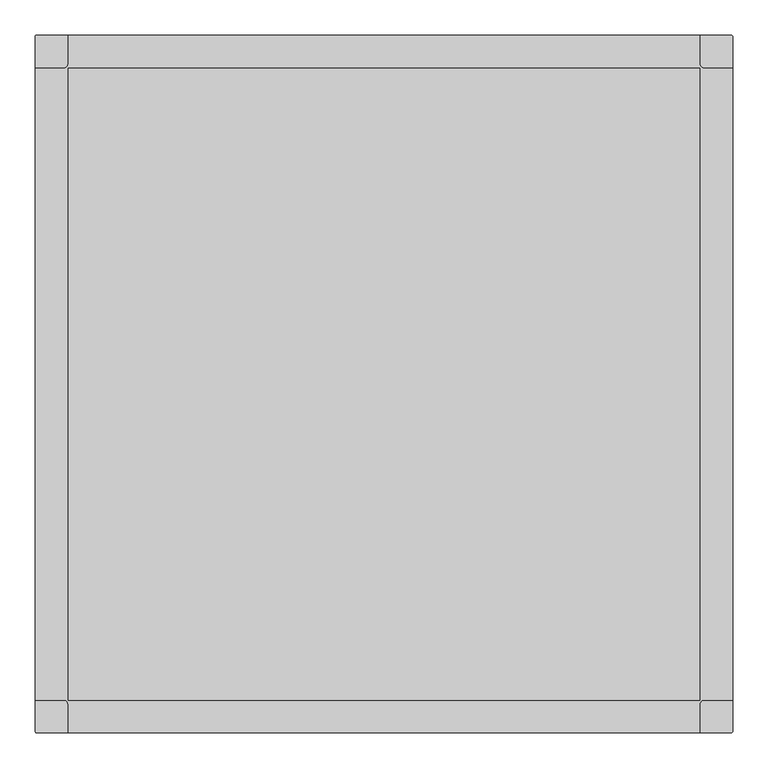
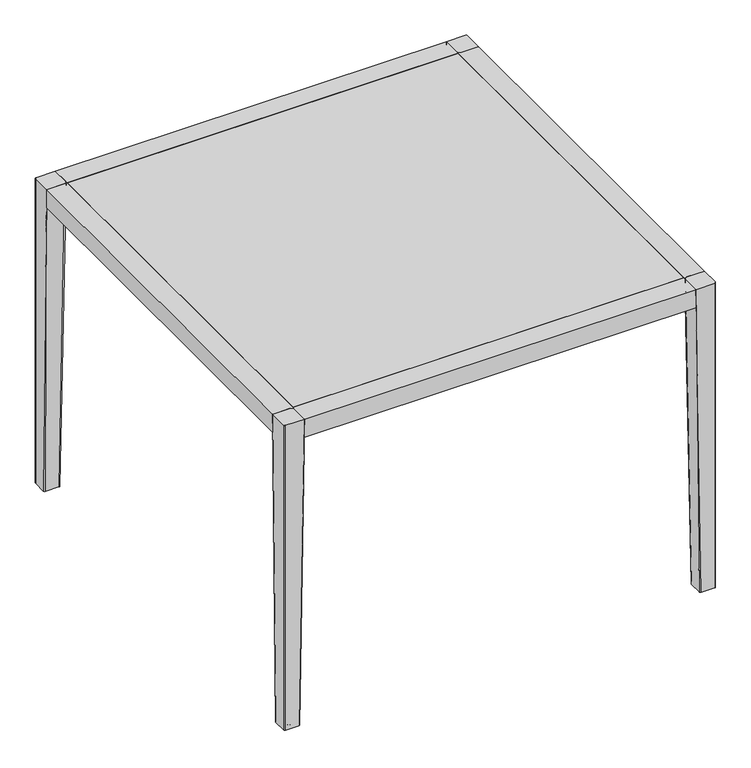
"""IFC4 building model written with IfcOpenShell, lengths in millimetres: furniture geometry."""

from ifc_helpers import new_model, si_unit, point, frame, origin, place, context, project, spatial, polyline, circle_curve, ellipse_curve, trimmed, outline, extrude, source, transform, mapped, element, save
from ifc_brep_helpers import plane_surface, cylinder_surface, revolved_surface, spline_surface, advanced_brep


def furniture_020c648a(model_context):
    return source(origin(), model_context, "Body", "SolidModel", [
        advanced_brep(
        [(448.058744, 494.4450592, 749.3), (-454.408744, 494.4450592, 749.3), (-454.408744, 453.516402, 749.3), (-459.4891642, 447.2946123, 749.3), (-501.65, 447.2946123, 749.3), (-501.65, -455.5481292, 749.3), (-460.758744, -455.5481292, 749.3), (-454.408744, -461.8981292, 749.3), (-454.408744, -502.5049408, 749.3), (448.058744, -502.5049408, 749.3), (448.058744, -461.8981292, 749.3), (454.408744, -455.5481292, 749.3), (495.3, -455.5481292, 749.3), (495.3, 447.2946123, 749.3), (453.1391642, 447.2946123, 749.3), (448.058744, 453.516402, 749.3), (-454.408744, 447.2946123, 749.3), (448.058744, 447.2946123, 749.3), (448.058744, -455.5481292, 749.3), (-454.408744, -455.5481292, 749.3), (448.058744, 494.4450592, 705.3460938), (448.058744, 453.516402, 705.3460938), (453.1391642, 447.2946123, 705.3460938), (495.3, 447.2946123, 705.3460938), (495.3, -455.5481292, 705.3460938), (454.408744, -455.5481292, 705.3460938), (448.058744, -461.8981292, 705.3460938), (448.058744, -502.5049408, 705.3460938), (-454.408744, -502.5049408, 705.3460938), (-454.408744, -461.8981292, 705.3460938), (-460.758744, -455.5481292, 705.3460938), (-501.65, -455.5481292, 705.3460938), (-501.65, 447.2946123, 705.3460938), (-459.4891642, 447.2946123, 705.3460938), (-454.408744, 453.516402, 705.3460938), (-454.408744, 494.4450592, 705.3460938), (448.058744, 447.2946123, 739.7749758), (-454.408744, 447.2946123, 739.7749758), (-454.408744, -455.5481292, 739.7749758), (448.058744, -455.5481292, 739.7749758)],
        [
            (0, 1),
            (1, 2),
            (2, 3, circle_curve(frame((-460.758744, 453.516402, 749.3), z_axis=(0.0, 0.0, -1.0), x_axis=(1.0, 0.0, 0.0)), 6.35)),
            (3, 4),
            (4, 5),
            (5, 6),
            (6, 7, circle_curve(frame((-460.758744, -461.8981292, 749.3), z_axis=(0.0, 0.0, -1.0), x_axis=(1.0, 0.0, 0.0)), 6.35)),
            (7, 8),
            (8, 9),
            (9, 10),
            (10, 11, circle_curve(frame((454.408744, -461.8981292, 749.3), z_axis=(0.0, 0.0, -1.0), x_axis=(1.0, 0.0, 0.0)), 6.35)),
            (11, 12),
            (12, 13),
            (13, 14),
            (14, 15, circle_curve(frame((454.408744, 453.516402, 749.3), z_axis=(0.0, 0.0, -1.0), x_axis=(1.0, 0.0, 0.0)), 6.35)),
            (15, 0),
            (16, 17),
            (17, 18),
            (18, 19),
            (19, 16),
            (20, 21),
            (21, 22, circle_curve(frame((454.408744, 453.516402, 705.3460938), z_axis=(0.0, 0.0, 1.0), x_axis=(1.0, 0.0, 0.0)), 6.35)),
            (22, 23),
            (23, 24),
            (24, 25),
            (25, 26, circle_curve(frame((454.408744, -461.8981292, 705.3460938), z_axis=(0.0, 0.0, 1.0), x_axis=(1.0, 0.0, 0.0)), 6.35)),
            (26, 27),
            (27, 28),
            (28, 29),
            (29, 30, circle_curve(frame((-460.758744, -461.8981292, 705.3460938), z_axis=(0.0, 0.0, 1.0), x_axis=(1.0, 0.0, 0.0)), 6.35)),
            (30, 31),
            (31, 32),
            (32, 33),
            (33, 34, circle_curve(frame((-460.758744, 453.516402, 705.3460938), z_axis=(0.0, 0.0, 1.0), x_axis=(1.0, 0.0, 0.0)), 6.35)),
            (34, 35),
            (35, 20),
            (0, 20),
            (35, 1),
            (4, 32),
            (31, 5),
            (8, 28),
            (27, 9),
            (12, 24),
            (23, 13),
            (34, 2),
            (33, 3),
            (30, 6),
            (29, 7),
            (26, 10),
            (25, 11),
            (22, 14),
            (21, 15),
            (36, 37),
            (37, 38),
            (38, 39),
            (39, 36),
            (36, 17),
            (16, 37),
            (19, 38),
            (18, 39),
        ],
        [
            plane_surface(frame((-454.408744, 494.4450592, 749.3), z_axis=(0.0, 0.0, 1.0), x_axis=(-1.0, 0.0, 0.0))),
            plane_surface(frame((-454.408744, 494.4450592, 705.3460938), z_axis=(0.0, 0.0, -1.0), x_axis=(1.0, 0.0, 0.0))),
            plane_surface(frame((448.058744, 494.4450592, 749.3), z_axis=(0.0, 1.0, 0.0), x_axis=(0.0, 0.0, -1.0))),
            plane_surface(frame((-501.65, 447.2946123, 749.3), z_axis=(-1.0, 0.0, 0.0), x_axis=(0.0, 0.0, -1.0))),
            plane_surface(frame((-454.408744, -502.5049408, 749.3), z_axis=(0.0, -1.0, 0.0), x_axis=(0.0, 0.0, -1.0))),
            plane_surface(frame((495.3, -455.5481292, 749.3), z_axis=(1.0, 0.0, 0.0), x_axis=(0.0, 0.0, -1.0))),
            plane_surface(frame((-454.408744, 494.4450592, 749.3), z_axis=(-1.0, -1.3741328295696144e-12, 0.0), x_axis=(0.0, 0.0, -1.0))),
            revolved_surface(polyline([(-454.40874399999996, 453.516402, 705.3460938), (-454.40874399999996, 453.516402, 749.3)]), (-460.758744, 453.516402, 705.3460938), (0.0, 0.0, -1.0)),
            plane_surface(frame((-459.4891642, 447.2946123, 749.3), z_axis=(0.0, 1.0, 0.0), x_axis=(0.0, 0.0, -1.0))),
            plane_surface(frame((-501.65, -455.5481292, 749.3), z_axis=(1.1569162298695674e-12, -1.0, 0.0), x_axis=(0.0, 0.0, -1.0))),
            revolved_surface(polyline([(-454.40874399999996, -461.8981292, 705.3460938), (-454.40874399999996, -461.8981292, 749.3)]), (-460.758744, -461.8981292, 705.3460938), (0.0, 0.0, -1.0)),
            plane_surface(frame((-454.408744, -461.8981292, 749.3), z_axis=(-1.0, 0.0, 0.0), x_axis=(0.0, 0.0, -1.0))),
            plane_surface(frame((448.058744, -502.5049408, 749.3), z_axis=(1.0, 0.0, 0.0), x_axis=(0.0, 0.0, -1.0))),
            revolved_surface(polyline([(460.75874400000004, -461.8981292, 705.3460938), (460.75874400000004, -461.8981292, 749.3)]), (454.408744, -461.8981292, 705.3460938), (0.0, 0.0, -1.0)),
            plane_surface(frame((454.408744, -455.5481292, 749.3), z_axis=(0.0, -1.0, 0.0), x_axis=(0.0, 0.0, -1.0))),
            plane_surface(frame((495.3, 447.2946123, 749.3), z_axis=(0.0, 1.0, 0.0), x_axis=(0.0, 0.0, -1.0))),
            revolved_surface(polyline([(460.75874400000004, 453.516402, 705.3460938), (460.75874400000004, 453.516402, 749.3)]), (454.408744, 453.516402, 705.3460938), (0.0, 0.0, -1.0)),
            plane_surface(frame((448.058744, 453.516402, 749.3), z_axis=(1.0, 0.0, 0.0), x_axis=(0.0, 0.0, -1.0))),
            plane_surface(frame((-454.408744, 447.2946123, 739.7749758), z_axis=(0.0, 0.0, 1.0), x_axis=(1.0, 0.0, 0.0))),
            plane_surface(frame((448.058744, 447.2946123, 807.0706463), z_axis=(0.0, -1.0, 0.0), x_axis=(0.0, 0.0, -1.0))),
            plane_surface(frame((-454.408744, 447.2946123, 807.0706463), z_axis=(1.0, 0.0, 0.0), x_axis=(0.0, 0.0, -1.0))),
            plane_surface(frame((-454.408744, -455.5481292, 807.0706463), z_axis=(0.0, 1.0, 0.0), x_axis=(0.0, 0.0, -1.0))),
            plane_surface(frame((448.058744, -455.5481292, 807.0706463), z_axis=(-1.0, 0.0, 0.0), x_axis=(0.0, 0.0, -1.0))),
        ],
        [
            (0, [[1, 2, 3, 4, 5, 6, 7, 8, 9, 10, 11, 12, 13, 14, 15, 16], [17, 18, 19, 20]]),
            (1, [[21, 22, 23, 24, 25, 26, 27, 28, 29, 30, 31, 32, 33, 34, 35, 36]]),
            (2, [[-1, 37, -36, 38]]),
            (3, [[-5, 39, -32, 40]]),
            (4, [[-9, 41, -28, 42]]),
            (5, [[-13, 43, -24, 44]]),
            (6, [[-2, -38, -35, 45]]),
            (7, [[-3, -45, -34, 46]]),
            (8, [[-4, -46, -33, -39]]),
            (9, [[-6, -40, -31, 47]]),
            (10, [[-7, -47, -30, 48]]),
            (11, [[-8, -48, -29, -41]]),
            (12, [[-10, -42, -27, 49]]),
            (13, [[-11, -49, -26, 50]]),
            (14, [[-12, -50, -25, -43]]),
            (15, [[-14, -44, -23, 51]]),
            (16, [[-15, -51, -22, 52]]),
            (17, [[-16, -52, -21, -37]]),
            (18, [[53, 54, 55, 56]]),
            (19, [[-53, 57, -17, 58]]),
            (20, [[-54, -58, -20, 59]]),
            (21, [[-55, -59, -19, 60]]),
            (22, [[-56, -60, -18, -57]]),
        ],
    ),
        extrude(outline(polyline([(448.058744, 447.2946123), (448.058744, -455.5481292), (-454.408744, -455.5481292), (-454.408744, 447.2946123), (448.058744, 447.2946123)])), frame((0.0, 0.0, 739.775), z_axis=(0.0, 0.0, 1.0), x_axis=(1.0, 0.0, 0.0)), (0.0, 0.0, 1.0), 9.525),
        advanced_brep(
        [(-491.5233778, -486.1402792, 0.0), (-477.799858, -486.1402792, 0.0), (-484.6616179, -486.1402792, 0.0), (-484.6616179, -486.1402792, 6.3500002), (-483.2524379, -486.1402792, 6.3500002), (-486.0707979, -486.1402792, 6.3500002), (-486.0707979, -486.1402792, 4.7625), (-483.2524379, -486.1402792, 4.7625), (-477.799858, -486.1402792, 1.6013961), (-491.5233778, -486.1402792, 1.6013961)],
        [
            (0, 1, circle_curve(frame((-484.6616179, -486.1402792, 0.0), z_axis=(0.0, 0.0, -1.0), x_axis=(1.0, 0.0, 0.0)), 6.8617599)),
            (1, 2),
            (2, 0),
            (1, 0, circle_curve(frame((-484.6616179, -486.1402792, 0.0), z_axis=(0.0, 0.0, -1.0), x_axis=(1.0, 0.0, 0.0)), 6.8617599)),
            (3, 4),
            (4, 5, circle_curve(frame((-484.6616179, -486.1402792, 6.3500002), z_axis=(0.0, 0.0, 1.0), x_axis=(1.0, 0.0, 0.0)), 1.40918)),
            (5, 3),
            (5, 4, circle_curve(frame((-484.6616179, -486.1402792, 6.3500002), z_axis=(0.0, 0.0, 1.0), x_axis=(1.0, 0.0, 0.0)), 1.40918)),
            (6, 7, circle_curve(frame((-484.6616179, -486.1402792, 4.7625), z_axis=(0.0, 0.0, -1.0), x_axis=(1.0, 0.0, 0.0)), 1.40918)),
            (7, 8, circle_curve(frame((-477.799858, -486.1402792, 7.8845184), z_axis=(0.0, -1.0, 0.0), x_axis=(1.0, 0.0, 0.0)), 6.2831224)),
            (8, 9, circle_curve(frame((-484.6616179, -486.1402792, 1.6013961), z_axis=(0.0, 0.0, 1.0), x_axis=(1.0, 0.0, 0.0)), 6.8617599)),
            (9, 6, circle_curve(frame((-491.5233778, -486.1402792, 7.8845184), z_axis=(0.0, -1.0, 0.0), x_axis=(-1.0, 0.0, 0.0)), 6.2831224)),
            (7, 6, circle_curve(frame((-484.6616179, -486.1402792, 4.7625), z_axis=(0.0, 0.0, -1.0), x_axis=(1.0, 0.0, 0.0)), 1.40918)),
            (9, 8, circle_curve(frame((-484.6616179, -486.1402792, 1.6013961), z_axis=(0.0, 0.0, 1.0), x_axis=(1.0, 0.0, 0.0)), 6.8617599)),
            (8, 1, circle_curve(frame((-477.799858, -486.1402792, 0.800698), z_axis=(0.0, 1.0, 0.0), x_axis=(1.0, 0.0, 0.0)), 0.800698)),
            (0, 9, circle_curve(frame((-491.5233778, -486.1402792, 0.800698), z_axis=(0.0, 1.0, 0.0), x_axis=(-1.0, 0.0, 0.0)), 0.800698)),
            (4, 7),
            (6, 5),
        ],
        [
            plane_surface(frame((-484.6616179, -486.1402792, 0.0), z_axis=(0.0, 0.0, -1.0), x_axis=(1.0, 0.0, 0.0))),
            plane_surface(frame((-484.6616179, -486.1402792, 6.3500002), z_axis=(0.0, 0.0, 1.0), x_axis=(1.0, 0.0, 0.0))),
            revolved_surface(trimmed(ellipse_curve(frame((-477.799858, -486.1402792, 7.8845184), z_axis=(0.0, 1.0, 0.0), x_axis=(1.0, 0.0, 0.0)), 6.2831224, 6.2831224), [point((-477.799858, -486.1402792, 1.6013961))], [point((-483.2524379, -486.1402792, 4.7625))], True, "CARTESIAN"), (-484.6616179, -486.1402792, 0.0), (0.0, 0.0, 1.0)),
            revolved_surface(trimmed(ellipse_curve(frame((-477.799858, -486.1402792, 0.800698), z_axis=(0.0, -1.0, 0.0), x_axis=(1.0, 0.0, 0.0)), 0.800698, 0.800698), [point((-477.799858, -486.1402792, 0.0))], [point((-477.799858, -486.1402792, 1.6013961))], True, "CARTESIAN"), (-484.6616179, -486.1402792, 0.0), (0.0, 0.0, 1.0)),
            cylinder_surface(frame((-484.6616179, -486.1402792, 0.0), z_axis=(0.0, 0.0, 1.0), x_axis=(1.0, 0.0, 0.0)), 1.40918),
        ],
        [
            (0, [[1, 2, 3]]),
            (0, [[4, -3, -2]]),
            (1, [[5, 6, 7]]),
            (1, [[-7, 8, -5]]),
            (2, [[9, 10, 11, 12]]),
            (2, [[13, -12, 14, -10]]),
            (3, [[-11, 15, -1, 16]]),
            (3, [[-14, -16, -4, -15]]),
            (4, [[-6, 17, -9, 18]]),
            (4, [[-8, -18, -13, -17]]),
        ],
    ),
        advanced_brep(
        [(471.4727944, -485.83047, 0.0), (485.1963141, -485.83047, 0.0), (478.3345542, -485.83047, 0.0), (478.3345542, -485.83047, 6.3500002), (479.7437342, -485.83047, 6.3500002), (476.9253743, -485.83047, 6.3500002), (476.9253743, -485.83047, 4.7625), (479.7437342, -485.83047, 4.7625), (485.1963141, -485.83047, 1.6013961), (471.4727944, -485.83047, 1.6013961)],
        [
            (0, 1, circle_curve(frame((478.3345542, -485.83047, 0.0), z_axis=(0.0, 0.0, -1.0), x_axis=(1.0, 0.0, 0.0)), 6.8617599)),
            (1, 2),
            (2, 0),
            (1, 0, circle_curve(frame((478.3345542, -485.83047, 0.0), z_axis=(0.0, 0.0, -1.0), x_axis=(1.0, 0.0, 0.0)), 6.8617599)),
            (3, 4),
            (4, 5, circle_curve(frame((478.3345542, -485.83047, 6.3500002), z_axis=(0.0, 0.0, 1.0), x_axis=(1.0, 0.0, 0.0)), 1.40918)),
            (5, 3),
            (5, 4, circle_curve(frame((478.3345542, -485.83047, 6.3500002), z_axis=(0.0, 0.0, 1.0), x_axis=(1.0, 0.0, 0.0)), 1.40918)),
            (6, 7, circle_curve(frame((478.3345542, -485.83047, 4.7625), z_axis=(0.0, 0.0, -1.0), x_axis=(1.0, 0.0, 0.0)), 1.40918)),
            (7, 8, circle_curve(frame((485.1963141, -485.83047, 7.8845184), z_axis=(0.0, -1.0, 0.0), x_axis=(1.0, 0.0, 0.0)), 6.2831224)),
            (8, 9, circle_curve(frame((478.3345542, -485.83047, 1.6013961), z_axis=(0.0, 0.0, 1.0), x_axis=(1.0, 0.0, 0.0)), 6.8617599)),
            (9, 6, circle_curve(frame((471.4727944, -485.83047, 7.8845184), z_axis=(0.0, -1.0, 0.0), x_axis=(-1.0, 0.0, 0.0)), 6.2831224)),
            (7, 6, circle_curve(frame((478.3345542, -485.83047, 4.7625), z_axis=(0.0, 0.0, -1.0), x_axis=(1.0, 0.0, 0.0)), 1.40918)),
            (9, 8, circle_curve(frame((478.3345542, -485.83047, 1.6013961), z_axis=(0.0, 0.0, 1.0), x_axis=(1.0, 0.0, 0.0)), 6.8617599)),
            (8, 1, circle_curve(frame((485.1963141, -485.83047, 0.800698), z_axis=(0.0, 1.0, 0.0), x_axis=(1.0, 0.0, 0.0)), 0.800698)),
            (0, 9, circle_curve(frame((471.4727944, -485.83047, 0.800698), z_axis=(0.0, 1.0, 0.0), x_axis=(-1.0, 0.0, 0.0)), 0.800698)),
            (4, 7),
            (6, 5),
        ],
        [
            plane_surface(frame((478.3345542, -485.83047, 0.0), z_axis=(0.0, 0.0, -1.0), x_axis=(1.0, 0.0, 0.0))),
            plane_surface(frame((478.3345542, -485.83047, 6.3500002), z_axis=(0.0, 0.0, 1.0), x_axis=(1.0, 0.0, 0.0))),
            revolved_surface(trimmed(ellipse_curve(frame((485.1963141, -485.83047, 7.8845184), z_axis=(0.0, 1.0, 0.0), x_axis=(1.0, 0.0, 0.0)), 6.2831224, 6.2831224), [point((485.1963141, -485.83047, 1.6013961))], [point((479.7437342, -485.83047, 4.7625))], True, "CARTESIAN"), (478.3345542, -485.83047, 0.0), (0.0, 0.0, 1.0)),
            revolved_surface(trimmed(ellipse_curve(frame((485.1963141, -485.83047, 0.800698), z_axis=(0.0, -1.0, 0.0), x_axis=(1.0, 0.0, 0.0)), 0.800698, 0.800698), [point((485.1963141, -485.83047, 0.0))], [point((485.1963141, -485.83047, 1.6013961))], True, "CARTESIAN"), (478.3345542, -485.83047, 0.0), (0.0, 0.0, 1.0)),
            cylinder_surface(frame((478.3345542, -485.83047, 0.0), z_axis=(0.0, 0.0, 1.0), x_axis=(1.0, 0.0, 0.0)), 1.40918),
        ],
        [
            (0, [[1, 2, 3]]),
            (0, [[4, -3, -2]]),
            (1, [[5, 6, 7]]),
            (1, [[-7, 8, -5]]),
            (2, [[9, 10, 11, 12]]),
            (2, [[13, -12, 14, -10]]),
            (3, [[-11, 15, -1, 16]]),
            (3, [[-14, -16, -4, -15]]),
            (4, [[-6, 17, -9, 18]]),
            (4, [[-8, -18, -13, -17]]),
        ],
    ),
        advanced_brep(
        [(471.4975991, 477.4697592, 0.0), (485.2211188, 477.4697592, 0.0), (478.3593589, 477.4697592, 0.0), (478.3593589, 477.4697592, 6.3500002), (479.7685389, 477.4697592, 6.3500002), (476.950179, 477.4697592, 6.3500002), (476.950179, 477.4697592, 4.7625), (479.7685389, 477.4697592, 4.7625), (485.2211188, 477.4697592, 1.6013961), (471.4975991, 477.4697592, 1.6013961)],
        [
            (0, 1, circle_curve(frame((478.3593589, 477.4697592, 0.0), z_axis=(0.0, 0.0, -1.0), x_axis=(1.0, 0.0, 0.0)), 6.8617599)),
            (1, 2),
            (2, 0),
            (1, 0, circle_curve(frame((478.3593589, 477.4697592, 0.0), z_axis=(0.0, 0.0, -1.0), x_axis=(1.0, 0.0, 0.0)), 6.8617599)),
            (3, 4),
            (4, 5, circle_curve(frame((478.3593589, 477.4697592, 6.3500002), z_axis=(0.0, 0.0, 1.0), x_axis=(1.0, 0.0, 0.0)), 1.40918)),
            (5, 3),
            (5, 4, circle_curve(frame((478.3593589, 477.4697592, 6.3500002), z_axis=(0.0, 0.0, 1.0), x_axis=(1.0, 0.0, 0.0)), 1.40918)),
            (6, 7, circle_curve(frame((478.3593589, 477.4697592, 4.7625), z_axis=(0.0, 0.0, -1.0), x_axis=(1.0, 0.0, 0.0)), 1.40918)),
            (7, 8, circle_curve(frame((485.2211188, 477.4697592, 7.8845184), z_axis=(0.0, -1.0, 0.0), x_axis=(1.0, 0.0, 0.0)), 6.2831224)),
            (8, 9, circle_curve(frame((478.3593589, 477.4697592, 1.6013961), z_axis=(0.0, 0.0, 1.0), x_axis=(1.0, 0.0, 0.0)), 6.8617599)),
            (9, 6, circle_curve(frame((471.4975991, 477.4697592, 7.8845184), z_axis=(0.0, -1.0, 0.0), x_axis=(-1.0, 0.0, 0.0)), 6.2831224)),
            (7, 6, circle_curve(frame((478.3593589, 477.4697592, 4.7625), z_axis=(0.0, 0.0, -1.0), x_axis=(1.0, 0.0, 0.0)), 1.40918)),
            (9, 8, circle_curve(frame((478.3593589, 477.4697592, 1.6013961), z_axis=(0.0, 0.0, 1.0), x_axis=(1.0, 0.0, 0.0)), 6.8617599)),
            (8, 1, circle_curve(frame((485.2211188, 477.4697592, 0.800698), z_axis=(0.0, 1.0, 0.0), x_axis=(1.0, 0.0, 0.0)), 0.800698)),
            (0, 9, circle_curve(frame((471.4975991, 477.4697592, 0.800698), z_axis=(0.0, 1.0, 0.0), x_axis=(-1.0, 0.0, 0.0)), 0.800698)),
            (4, 7),
            (6, 5),
        ],
        [
            plane_surface(frame((478.3593589, 477.4697592, 0.0), z_axis=(0.0, 0.0, -1.0), x_axis=(1.0, 0.0, 0.0))),
            plane_surface(frame((478.3593589, 477.4697592, 6.3500002), z_axis=(0.0, 0.0, 1.0), x_axis=(1.0, 0.0, 0.0))),
            revolved_surface(trimmed(ellipse_curve(frame((485.2211188, 477.4697592, 7.8845184), z_axis=(0.0, 1.0, 0.0), x_axis=(1.0, 0.0, 0.0)), 6.2831224, 6.2831224), [point((485.2211188, 477.4697592, 1.6013961))], [point((479.7685389, 477.4697592, 4.7625))], True, "CARTESIAN"), (478.3593589, 477.4697592, 0.0), (0.0, 0.0, 1.0)),
            revolved_surface(trimmed(ellipse_curve(frame((485.2211188, 477.4697592, 0.800698), z_axis=(0.0, -1.0, 0.0), x_axis=(1.0, 0.0, 0.0)), 0.800698, 0.800698), [point((485.2211188, 477.4697592, 0.0))], [point((485.2211188, 477.4697592, 1.6013961))], True, "CARTESIAN"), (478.3593589, 477.4697592, 0.0), (0.0, 0.0, 1.0)),
            cylinder_surface(frame((478.3593589, 477.4697592, 0.0), z_axis=(0.0, 0.0, 1.0), x_axis=(1.0, 0.0, 0.0)), 1.40918),
        ],
        [
            (0, [[1, 2, 3]]),
            (0, [[4, -3, -2]]),
            (1, [[5, 6, 7]]),
            (1, [[-7, 8, -5]]),
            (2, [[9, 10, 11, 12]]),
            (2, [[13, -12, 14, -10]]),
            (3, [[-11, 15, -1, 16]]),
            (3, [[-14, -16, -4, -15]]),
            (4, [[-6, 17, -9, 18]]),
            (4, [[-8, -18, -13, -17]]),
        ],
    ),
        advanced_brep(
        [(-491.539686, 477.0949428, 0.0), (-477.8161663, 477.0949428, 0.0), (-484.6779261, 477.0949428, 0.0), (-484.6779261, 477.0949428, 6.3500002), (-483.2687462, 477.0949428, 6.3500002), (-486.0871061, 477.0949428, 6.3500002), (-486.0871061, 477.0949428, 4.7625), (-483.2687462, 477.0949428, 4.7625), (-477.8161663, 477.0949428, 1.6013961), (-491.539686, 477.0949428, 1.6013961)],
        [
            (0, 1, circle_curve(frame((-484.6779261, 477.0949428, 0.0), z_axis=(0.0, 0.0, -1.0), x_axis=(1.0, 0.0, 0.0)), 6.8617599)),
            (1, 2),
            (2, 0),
            (1, 0, circle_curve(frame((-484.6779261, 477.0949428, 0.0), z_axis=(0.0, 0.0, -1.0), x_axis=(1.0, 0.0, 0.0)), 6.8617599)),
            (3, 4),
            (4, 5, circle_curve(frame((-484.6779261, 477.0949428, 6.3500002), z_axis=(0.0, 0.0, 1.0), x_axis=(1.0, 0.0, 0.0)), 1.40918)),
            (5, 3),
            (5, 4, circle_curve(frame((-484.6779261, 477.0949428, 6.3500002), z_axis=(0.0, 0.0, 1.0), x_axis=(1.0, 0.0, 0.0)), 1.40918)),
            (6, 7, circle_curve(frame((-484.6779261, 477.0949428, 4.7625), z_axis=(0.0, 0.0, -1.0), x_axis=(1.0, 0.0, 0.0)), 1.40918)),
            (7, 8, circle_curve(frame((-477.8161663, 477.0949428, 7.8845184), z_axis=(0.0, -1.0, 0.0), x_axis=(1.0, 0.0, 0.0)), 6.2831224)),
            (8, 9, circle_curve(frame((-484.6779261, 477.0949428, 1.6013961), z_axis=(0.0, 0.0, 1.0), x_axis=(1.0, 0.0, 0.0)), 6.8617599)),
            (9, 6, circle_curve(frame((-491.539686, 477.0949428, 7.8845184), z_axis=(0.0, -1.0, 0.0), x_axis=(-1.0, 0.0, 0.0)), 6.2831224)),
            (7, 6, circle_curve(frame((-484.6779261, 477.0949428, 4.7625), z_axis=(0.0, 0.0, -1.0), x_axis=(1.0, 0.0, 0.0)), 1.40918)),
            (9, 8, circle_curve(frame((-484.6779261, 477.0949428, 1.6013961), z_axis=(0.0, 0.0, 1.0), x_axis=(1.0, 0.0, 0.0)), 6.8617599)),
            (8, 1, circle_curve(frame((-477.8161663, 477.0949428, 0.800698), z_axis=(0.0, 1.0, 0.0), x_axis=(1.0, 0.0, 0.0)), 0.800698)),
            (0, 9, circle_curve(frame((-491.539686, 477.0949428, 0.800698), z_axis=(0.0, 1.0, 0.0), x_axis=(-1.0, 0.0, 0.0)), 0.800698)),
            (4, 7),
            (6, 5),
        ],
        [
            plane_surface(frame((-484.6779261, 477.0949428, 0.0), z_axis=(0.0, 0.0, -1.0), x_axis=(1.0, 0.0, 0.0))),
            plane_surface(frame((-484.6779261, 477.0949428, 6.3500002), z_axis=(0.0, 0.0, 1.0), x_axis=(1.0, 0.0, 0.0))),
            revolved_surface(trimmed(ellipse_curve(frame((-477.8161663, 477.0949428, 7.8845184), z_axis=(0.0, 1.0, 0.0), x_axis=(1.0, 0.0, 0.0)), 6.2831224, 6.2831224), [point((-477.8161663, 477.0949428, 1.6013961))], [point((-483.2687462, 477.0949428, 4.7625))], True, "CARTESIAN"), (-484.6779261, 477.0949428, 0.0), (0.0, 0.0, 1.0)),
            revolved_surface(trimmed(ellipse_curve(frame((-477.8161663, 477.0949428, 0.800698), z_axis=(0.0, -1.0, 0.0), x_axis=(1.0, 0.0, 0.0)), 0.800698, 0.800698), [point((-477.8161663, 477.0949428, 0.0))], [point((-477.8161663, 477.0949428, 1.6013961))], True, "CARTESIAN"), (-484.6779261, 477.0949428, 0.0), (0.0, 0.0, 1.0)),
            cylinder_surface(frame((-484.6779261, 477.0949428, 0.0), z_axis=(0.0, 0.0, 1.0), x_axis=(1.0, 0.0, 0.0)), 1.40918),
        ],
        [
            (0, [[1, 2, 3]]),
            (0, [[4, -3, -2]]),
            (1, [[5, 6, 7]]),
            (1, [[-7, 8, -5]]),
            (2, [[9, 10, 11, 12]]),
            (2, [[13, -12, 14, -10]]),
            (3, [[-11, 15, -1, 16]]),
            (3, [[-14, -16, -4, -15]]),
            (4, [[-6, 17, -9, 18]]),
            (4, [[-8, -18, -13, -17]]),
        ],
    ),
        advanced_brep(
        [(-498.4581575, 494.4450592, 749.3), (-501.65, 491.2532167, 749.3), (-501.65, 447.166402, 749.3), (-460.758744, 447.166402, 749.3), (-454.408744, 453.516402, 749.3), (-454.408744, 494.4450592, 749.3), (-498.475, 494.4450592, 6.3500002), (-467.7716941, 494.4450592, 6.3500002), (-464.5966941, 491.2700592, 6.3500002), (-464.5966941, 460.488133, 6.3500002), (-467.730475, 457.3543521, 6.3500002), (-498.5058826, 457.3543521, 6.3500002), (-501.65, 460.4984695, 6.3500002), (-501.65, 491.2700592, 6.3500002)],
        [
            (0, 1, circle_curve(frame((-498.4581575, 491.2532167, 749.3), z_axis=(0.0, 0.0, 1.0), x_axis=(-1.0, 0.0, 0.0)), 3.1918425)),
            (1, 2),
            (2, 3),
            (3, 4, circle_curve(frame((-460.758744, 453.516402, 749.3), z_axis=(0.0, 0.0, 1.0), x_axis=(-1.0, 0.0, 0.0)), 6.35)),
            (4, 5),
            (5, 0),
            (6, 7),
            (7, 8, circle_curve(frame((-467.7716941, 491.2700592, 6.3500002), z_axis=(0.0, 0.0, -1.0), x_axis=(-1.0, 0.0, 0.0)), 3.175)),
            (8, 9),
            (9, 10, circle_curve(frame((-467.730475, 460.488133, 6.3500002), z_axis=(0.0, 0.0, -1.0), x_axis=(-1.0, 0.0, 0.0)), 3.1337809)),
            (10, 11),
            (11, 12, circle_curve(frame((-498.5058826, 460.4984695, 6.3500002), z_axis=(0.0, 0.0, -1.0), x_axis=(-1.0, 0.0, 0.0)), 3.1441174)),
            (12, 13),
            (13, 6, circle_curve(frame((-498.475, 491.2700592, 6.3500002), z_axis=(0.0, 0.0, -1.0), x_axis=(-1.0, 0.0, 0.0)), 3.175)),
            (6, 0),
            (5, 7),
            (8, 5),
            (4, 9),
            (10, 3),
            (2, 11),
            (12, 2),
            (1, 13),
        ],
        [
            plane_surface(frame((-478.5557316, 471.3320902, 749.3), z_axis=(0.0, 0.0, 1.0), x_axis=(-1.0, 0.0, 0.0))),
            plane_surface(frame((-483.122055, 475.890693, 6.3500002), z_axis=(0.0, 0.0, -1.0), x_axis=(-1.0, 0.0, 0.0))),
            plane_surface(frame((-483.123347, 494.4450592, 6.3500002), z_axis=(0.0, 1.0, 0.0), x_axis=(-1.0, 0.0, 0.0))),
            plane_surface(frame((-464.5966941, 475.8790961, 6.3500002), z_axis=(0.9999059923483925, 0.0, -0.013711544981382596), x_axis=(0.0, 1.0, 0.0))),
            plane_surface(frame((-483.1181788, 457.3543521, 6.3500002), z_axis=(0.0, -0.9999059923483924, -0.013711544981389334), x_axis=(1.0, 0.0, 0.0))),
            plane_surface(frame((-501.65, 475.8842644, 6.3500002), z_axis=(-1.0, 0.0, 0.0), x_axis=(0.0, -1.0, 0.0))),
            spline_surface(2, 1, [[(-464.5966941, 491.2700592, 6.3500002), (-454.408744, 494.4450592, 749.3)], [(-464.5966941, 494.4450592, 6.3500002), (-454.408744, 494.4450592, 749.3)], [(-467.7716941, 494.4450592, 6.3500002), (-454.408744, 494.4450592, 749.3)]], [3, 3], [2, 2], [0.0, 1.0], [0.0, 1.0], weights=[[1.0, 1.0], [0.7071067811865476, 0.7071067811865476], [1.0, 1.0]]),
            spline_surface(2, 1, [[(-467.730475, 457.3543521, 6.3500002), (-460.758744, 447.166402, 749.3)], [(-464.59669410000004, 457.3543521, 6.3500002), (-454.40874399999996, 447.16640199999995, 749.3)], [(-464.5966941, 460.488133, 6.3500002), (-454.408744, 453.516402, 749.3)]], [3, 3], [2, 2], [0.0, 1.0], [0.0, 1.0], weights=[[1.0, 1.0], [0.7071067811865444, 0.7071067811865444], [1.0, 1.0]]),
            spline_surface(2, 1, [[(-501.65, 460.4984695, 6.3500002), (-501.65, 447.166402, 749.3)], [(-501.65, 457.3543521, 6.3500002), (-501.65, 447.166402, 749.3)], [(-498.5058826, 457.3543521, 6.3500002), (-501.65, 447.166402, 749.3)]], [3, 3], [2, 2], [0.0, 1.0], [0.0, 1.0], weights=[[1.0, 1.0], [0.7071067811865476, 0.7071067811865476], [1.0, 1.0]]),
            spline_surface(2, 1, [[(-498.475, 494.4450592, 6.3500002), (-498.4581575, 494.4450592, 749.3)], [(-501.65000000000003, 494.44505920000006, 6.3500002), (-501.65000000000003, 494.44505920000006, 749.3)], [(-501.65, 491.2700592, 6.3500002), (-501.65, 491.2532167, 749.3)]], [3, 3], [2, 2], [0.0, 1.0], [0.0, 1.0], weights=[[1.0, 1.0], [0.7071067811865412, 0.7071067811865412], [1.0, 1.0]]),
        ],
        [
            (0, [[1, 2, 3, 4, 5, 6]]),
            (1, [[7, 8, 9, 10, 11, 12, 13, 14]]),
            (2, [[-7, 15, -6, 16]]),
            (3, [[-9, 17, -5, 18]]),
            (4, [[-11, 19, -3, 20]]),
            (5, [[-13, 21, -2, 22]]),
            (6, [[-8, -16, -17]]),
            (7, [[-10, -18, -4, -19]]),
            (8, [[-12, -20, -21]]),
            (9, [[-14, -22, -1, -15]]),
        ],
    ),
        advanced_brep(
        [(492.0792474, 494.4450592, 749.3), (448.058744, 494.4450592, 749.3), (448.058744, 453.516402, 749.3), (454.408744, 447.166402, 749.3), (495.3, 447.166402, 749.3), (495.3, 491.2243066, 749.3), (492.125, 494.4450592, 6.3500002), (495.3, 491.2700592, 6.3500002), (495.3, 460.4984695, 6.3500002), (492.1558826, 457.3543521, 6.3500002), (461.380475, 457.3543521, 6.3500002), (458.2466941, 460.488133, 6.3500002), (458.2466941, 491.2700592, 6.3500002), (461.4216941, 494.4450592, 6.3500002)],
        [
            (0, 1),
            (1, 2),
            (2, 3, circle_curve(frame((454.408744, 453.516402, 749.3), z_axis=(0.0, 0.0, 1.0), x_axis=(1.0, 0.0, 0.0)), 6.35)),
            (3, 4),
            (4, 5),
            (5, 0, circle_curve(frame((492.0792474, 491.2243066, 749.3), z_axis=(0.0, 0.0, 1.0), x_axis=(1.0, 0.0, 0.0)), 3.2207526)),
            (6, 7, circle_curve(frame((492.125, 491.2700592, 6.3500002), z_axis=(0.0, 0.0, -1.0), x_axis=(1.0, 0.0, 0.0)), 3.175)),
            (7, 8),
            (8, 9, circle_curve(frame((492.1558826, 460.4984695, 6.3500002), z_axis=(0.0, 0.0, -1.0), x_axis=(1.0, 0.0, 0.0)), 3.1441174)),
            (9, 10),
            (10, 11, circle_curve(frame((461.380475, 460.488133, 6.3500002), z_axis=(0.0, 0.0, -1.0), x_axis=(1.0, 0.0, 0.0)), 3.1337809)),
            (11, 12),
            (12, 13, circle_curve(frame((461.4216941, 491.2700592, 6.3500002), z_axis=(0.0, 0.0, -1.0), x_axis=(1.0, 0.0, 0.0)), 3.175)),
            (13, 6),
            (13, 1),
            (0, 6),
            (11, 2),
            (1, 12),
            (9, 4),
            (3, 10),
            (7, 5),
            (4, 8),
        ],
        [
            plane_surface(frame((472.2009132, 471.3272719, 749.3), z_axis=(0.0, 0.0, 1.0), x_axis=(-1.0, 0.0, 0.0))),
            plane_surface(frame((476.772055, 475.890693, 6.3500002), z_axis=(0.0, 0.0, -1.0), x_axis=(-1.0, 0.0, 0.0))),
            plane_surface(frame((476.773347, 494.4450592, 6.3500002), z_axis=(0.0, 1.0, 0.0), x_axis=(-1.0, 0.0, 0.0))),
            plane_surface(frame((458.2466941, 475.8790961, 6.3500002), z_axis=(-0.9999059923483927, 0.0, -0.013711544981364494), x_axis=(0.0, -1.0, 0.0))),
            plane_surface(frame((476.7681788, 457.3543521, 6.3500002), z_axis=(0.0, -0.9999059923483923, -0.013711544981402103), x_axis=(1.0, 0.0, 0.0))),
            plane_surface(frame((495.3, 475.8842644, 6.3500002), z_axis=(1.0, 0.0, 0.0), x_axis=(0.0, 1.0, 0.0))),
            spline_surface(2, 1, [[(461.4216941, 494.4450592, 6.3500002), (448.058744, 494.4450592, 749.3)], [(458.2466941, 494.4450592, 6.3500002), (448.058744, 494.4450592, 749.3)], [(458.2466941, 491.2700592, 6.3500002), (448.058744, 494.4450592, 749.3)]], [3, 3], [2, 2], [0.0, 1.0], [0.0, 1.0], weights=[[1.0, 1.0], [0.7071067811865476, 0.7071067811865476], [1.0, 1.0]]),
            spline_surface(2, 1, [[(458.2466941, 460.488133, 6.3500002), (448.058744, 453.516402, 749.3)], [(458.2466941, 457.3543521, 6.3500002), (448.058744, 447.166402, 749.3)], [(461.380475, 457.3543521, 6.3500002), (454.408744, 447.166402, 749.3)]], [3, 3], [2, 2], [0.0, 1.0], [0.0, 1.0], weights=[[1.0, 1.0], [0.7071067811865476, 0.7071067811865476], [1.0, 1.0]]),
            spline_surface(2, 1, [[(492.1558826, 457.3543521, 6.3500002), (495.3, 447.166402, 749.3)], [(495.29999999999995, 457.3543521000001, 6.3500002), (495.3, 447.166402, 749.3)], [(495.3, 460.4984695, 6.3500002), (495.3, 447.166402, 749.3)]], [3, 3], [2, 2], [0.0, 1.0], [0.0, 1.0], weights=[[1.0, 1.0], [0.7071067811865539, 0.7071067811865539], [1.0, 1.0]]),
            spline_surface(2, 1, [[(495.3, 491.2700592, 6.3500002), (495.3, 491.2243066, 749.3)], [(495.3, 494.4450592, 6.3500002), (495.3, 494.4450592, 749.3)], [(492.125, 494.4450592, 6.3500002), (492.0792474, 494.4450592, 749.3)]], [3, 3], [2, 2], [0.0, 1.0], [0.0, 1.0], weights=[[1.0, 1.0], [0.7071067811865476, 0.7071067811865476], [1.0, 1.0]]),
        ],
        [
            (0, [[1, 2, 3, 4, 5, 6]]),
            (1, [[7, 8, 9, 10, 11, 12, 13, 14]]),
            (2, [[-14, 15, -1, 16]]),
            (3, [[-12, 17, -2, 18]]),
            (4, [[-10, 19, -4, 20]]),
            (5, [[-8, 21, -5, 22]]),
            (6, [[-13, -18, -15]]),
            (7, [[-11, -20, -3, -17]]),
            (8, [[-9, -22, -19]]),
            (9, [[-7, -16, -6, -21]]),
        ],
    ),
        advanced_brep(
        [(492.0870244, -502.5049408, 749.3), (495.3, -499.2919652, 749.3), (495.3, -455.5481292, 749.3), (454.408744, -455.5481292, 749.3), (448.058744, -461.8981292, 749.3), (448.058744, -502.5049408, 749.3), (492.125, -502.5049408, 6.3500002), (461.4216941, -502.5049408, 6.3500002), (458.2466941, -499.3299408, 6.3500002), (458.2466941, -468.5480146, 6.3500002), (461.380475, -465.4142337, 6.3500002), (492.1558826, -465.4142337, 6.3500002), (495.3, -468.5583511, 6.3500002), (495.3, -499.3299408, 6.3500002)],
        [
            (0, 1, circle_curve(frame((492.0870244, -499.2919652, 749.3), z_axis=(0.0, 0.0, 1.0), x_axis=(1.0, 0.0, 0.0)), 3.2129756)),
            (1, 2),
            (2, 3),
            (3, 4, circle_curve(frame((454.408744, -461.8981292, 749.3), z_axis=(0.0, 0.0, 1.0), x_axis=(1.0, 0.0, 0.0)), 6.35)),
            (4, 5),
            (5, 0),
            (6, 7),
            (7, 8, circle_curve(frame((461.4216941, -499.3299408, 6.3500002), z_axis=(0.0, 0.0, -1.0), x_axis=(1.0, 0.0, 0.0)), 3.175)),
            (8, 9),
            (9, 10, circle_curve(frame((461.380475, -468.5480146, 6.3500002), z_axis=(0.0, 0.0, -1.0), x_axis=(1.0, 0.0, 0.0)), 3.1337809)),
            (10, 11),
            (11, 12, circle_curve(frame((492.1558826, -468.5583511, 6.3500002), z_axis=(0.0, 0.0, -1.0), x_axis=(1.0, 0.0, 0.0)), 3.1441174)),
            (12, 13),
            (13, 6, circle_curve(frame((492.125, -499.3299408, 6.3500002), z_axis=(0.0, 0.0, -1.0), x_axis=(1.0, 0.0, 0.0)), 3.175)),
            (6, 0),
            (5, 7),
            (8, 5),
            (4, 9),
            (10, 3),
            (2, 11),
            (12, 2),
            (1, 13),
        ],
        [
            plane_surface(frame((472.2022094, -479.5493724, 749.3), z_axis=(0.0, 0.0, 1.0), x_axis=(1.0, 0.0, 0.0))),
            plane_surface(frame((476.772055, -483.9505745, 6.3500002), z_axis=(0.0, 0.0, -1.0), x_axis=(1.0, 0.0, 0.0))),
            plane_surface(frame((476.773347, -502.5049408, 6.3500002), z_axis=(0.0, -1.0, 0.0), x_axis=(1.0, 0.0, 0.0))),
            plane_surface(frame((458.2466941, -483.9389777, 6.3500002), z_axis=(-0.9999059923483921, 0.0, -0.013711544981413673), x_axis=(0.0, -1.0, 0.0))),
            plane_surface(frame((476.7681788, -465.4142337, 6.3500002), z_axis=(0.0, 0.9999118373131175, -0.013278463808200629), x_axis=(-1.0, 0.0, 0.0))),
            plane_surface(frame((495.3, -483.9441459, 6.3500002), z_axis=(1.0, 0.0, 0.0), x_axis=(0.0, 1.0, 0.0))),
            spline_surface(2, 1, [[(458.2466941, -499.3299408, 6.3500002), (448.058744, -502.5049408, 749.3)], [(458.2466941, -502.5049408, 6.3500002), (448.058744, -502.5049408, 749.3)], [(461.4216941, -502.5049408, 6.3500002), (448.058744, -502.5049408, 749.3)]], [3, 3], [2, 2], [0.0, 1.0], [0.0, 1.0], weights=[[1.0, 1.0], [0.7071067811865476, 0.7071067811865476], [1.0, 1.0]]),
            spline_surface(2, 1, [[(461.380475, -465.4142337, 6.3500002), (454.408744, -455.5481292, 749.3)], [(458.2466941, -465.4142337, 6.3500002), (448.058744, -455.5481292, 749.3)], [(458.2466941, -468.5480146, 6.3500002), (448.058744, -461.8981292, 749.3)]], [3, 3], [2, 2], [0.0, 1.0], [0.0, 1.0], weights=[[1.0, 1.0], [0.7071067811865476, 0.7071067811865476], [1.0, 1.0]]),
            spline_surface(2, 1, [[(495.3, -468.5583511, 6.3500002), (495.3, -455.5481292, 749.3)], [(495.30000000000007, -465.41423369999995, 6.3500002), (495.3, -455.5481292, 749.3)], [(492.1558826, -465.4142337, 6.3500002), (495.3, -455.5481292, 749.3)]], [3, 3], [2, 2], [0.0, 1.0], [0.0, 1.0], weights=[[1.0, 1.0], [0.7071067811865411, 0.7071067811865411], [1.0, 1.0]]),
            spline_surface(2, 1, [[(492.125, -502.5049408, 6.3500002), (492.0870244, -502.5049408, 749.3)], [(495.3, -502.5049408, 6.3500002), (495.3, -502.5049408, 749.3)], [(495.3, -499.3299408, 6.3500002), (495.3, -499.2919652, 749.3)]], [3, 3], [2, 2], [0.0, 1.0], [0.0, 1.0], weights=[[1.0, 1.0], [0.7071067811865476, 0.7071067811865476], [1.0, 1.0]]),
        ],
        [
            (0, [[1, 2, 3, 4, 5, 6]]),
            (1, [[7, 8, 9, 10, 11, 12, 13, 14]]),
            (2, [[-7, 15, -6, 16]]),
            (3, [[-9, 17, -5, 18]]),
            (4, [[-11, 19, -3, 20]]),
            (5, [[-13, 21, -2, 22]]),
            (6, [[-8, -16, -17]]),
            (7, [[-10, -18, -4, -19]]),
            (8, [[-12, -20, -21]]),
            (9, [[-14, -22, -1, -15]]),
        ],
    ),
        advanced_brep(
        [(-498.475, -502.5049408, 749.3), (-454.408744, -502.5049408, 749.3), (-454.408744, -461.8981292, 749.3), (-460.758744, -455.5481292, 749.3), (-501.65, -455.5481292, 749.3), (-501.65, -499.3299408, 749.3), (-498.475, -502.5049408, 6.3500002), (-501.65, -499.3299408, 6.3500002), (-501.65, -468.5583511, 6.3500002), (-498.5058826, -465.4142337, 6.3500002), (-467.730475, -465.4142337, 6.3500002), (-464.5966941, -468.5480146, 6.3500002), (-464.5966941, -499.3299408, 6.3500002), (-467.7716941, -502.5049408, 6.3500002)],
        [
            (0, 1),
            (1, 2),
            (2, 3, circle_curve(frame((-460.758744, -461.8981292, 749.3), z_axis=(0.0, 0.0, 1.0), x_axis=(-1.0, 0.0, 0.0)), 6.35)),
            (3, 4),
            (4, 5),
            (5, 0, circle_curve(frame((-498.475, -499.3299408, 749.3), z_axis=(0.0, 0.0, 1.0), x_axis=(0.0, -1.0, 0.0)), 3.175)),
            (6, 7, circle_curve(frame((-498.475, -499.3299408, 6.3500002), z_axis=(0.0, 0.0, -1.0), x_axis=(0.0, -1.0, 0.0)), 3.175)),
            (7, 8),
            (8, 9, circle_curve(frame((-498.5058826, -468.5583511, 6.3500002), z_axis=(0.0, 0.0, -1.0), x_axis=(-1.0, 0.0, 0.0)), 3.1441174)),
            (9, 10),
            (10, 11, circle_curve(frame((-467.730475, -468.5480146, 6.3500002), z_axis=(0.0, 0.0, -1.0), x_axis=(-1.0, 0.0, 0.0)), 3.1337809)),
            (11, 12),
            (12, 13, circle_curve(frame((-467.7716941, -499.3299408, 6.3500002), z_axis=(0.0, 0.0, -1.0), x_axis=(-1.0, 0.0, 0.0)), 3.175)),
            (13, 6),
            (13, 1),
            (0, 6),
            (11, 2),
            (1, 12),
            (9, 4),
            (3, 10),
            (7, 5),
            (4, 8),
        ],
        [
            plane_surface(frame((-478.5585387, -479.5557016, 749.3), z_axis=(0.0, 0.0, 1.0), x_axis=(1.0, 0.0, 0.0))),
            plane_surface(frame((-483.122055, -483.9505745, 6.3500002), z_axis=(0.0, 0.0, -1.0), x_axis=(1.0, 0.0, 0.0))),
            plane_surface(frame((-483.123347, -502.5049408, 6.3500002), z_axis=(0.0, -1.0, 0.0), x_axis=(1.0, 0.0, 0.0))),
            plane_surface(frame((-464.5966941, -483.9389777, 6.3500002), z_axis=(0.9999059923483924, 0.0, -0.013711544981389425), x_axis=(0.0, 1.0, 0.0))),
            plane_surface(frame((-483.1181788, -465.4142337, 6.3500002), z_axis=(0.0, 0.9999118373131167, -0.013278463808265634), x_axis=(-1.0, 0.0, 0.0))),
            plane_surface(frame((-501.65, -483.9441459, 6.3500002), z_axis=(-1.0, 0.0, 0.0), x_axis=(0.0, -1.0, 0.0))),
            spline_surface(2, 1, [[(-467.7716941, -502.5049408, 6.3500002), (-454.408744, -502.5049408, 749.3)], [(-464.5966941, -502.5049408, 6.3500002), (-454.408744, -502.5049408, 749.3)], [(-464.5966941, -499.3299408, 6.3500002), (-454.408744, -502.5049408, 749.3)]], [3, 3], [2, 2], [0.0, 1.0], [0.0, 1.0], weights=[[1.0, 1.0], [0.7071067811865476, 0.7071067811865476], [1.0, 1.0]]),
            spline_surface(2, 1, [[(-464.5966941, -468.5480146, 6.3500002), (-454.408744, -461.8981292, 749.3)], [(-464.5966941, -465.41423369999995, 6.3500002), (-454.40874400000007, -455.54812920000006, 749.3)], [(-467.730475, -465.4142337, 6.3500002), (-460.758744, -455.5481292, 749.3)]], [3, 3], [2, 2], [0.0, 1.0], [0.0, 1.0], weights=[[1.0, 1.0], [0.7071067811865507, 0.7071067811865507], [1.0, 1.0]]),
            spline_surface(2, 1, [[(-498.5058826, -465.4142337, 6.3500002), (-501.65, -455.5481292, 749.3)], [(-501.65, -465.4142337, 6.3500002), (-501.65, -455.5481292, 749.3)], [(-501.65, -468.5583511, 6.3500002), (-501.65, -455.5481292, 749.3)]], [3, 3], [2, 2], [0.0, 1.0], [0.0, 1.0], weights=[[1.0, 1.0], [0.7071067811865476, 0.7071067811865476], [1.0, 1.0]]),
            cylinder_surface(frame((-498.475, -499.3299408, 6.3500002), z_axis=(0.0, 0.0, 1.0), x_axis=(0.0, -1.0, 0.0)), 3.175),
        ],
        [
            (0, [[1, 2, 3, 4, 5, 6]]),
            (1, [[7, 8, 9, 10, 11, 12, 13, 14]]),
            (2, [[-14, 15, -1, 16]]),
            (3, [[-12, 17, -2, 18]]),
            (4, [[-10, 19, -4, 20]]),
            (5, [[-8, 21, -5, 22]]),
            (6, [[-13, -18, -15]]),
            (7, [[-11, -20, -3, -17]]),
            (8, [[-9, -22, -19]]),
            (9, [[-7, -16, -6, -21]]),
        ],
    ),
    ])


if __name__ == "__main__":
    model = new_model("IFC4")
    model_context = context("Model", 3, world=origin())
    ifc_project = project(units=[si_unit("LENGTHUNIT", "METRE", prefix="MILLI")], contexts=[model_context])
    site = spatial("IfcSite", under=ifc_project)
    building = spatial("IfcBuilding", under=site)
    placement = place(None, origin())
    furniture_shape = furniture_020c648a(model_context)
    element("IfcFurniture", 1, at=placement, inside=building, context=model_context, shape_type="MappedRepresentation", body=[
        mapped(furniture_shape, transform((0.0, 0.0, 0.0), x_axis=(1.0, 0.0, 0.0), y_axis=(0.0, 1.0, 0.0), z_axis=(0.0, 0.0, 1.0))),
    ])
    save(model, "model.ifc")
